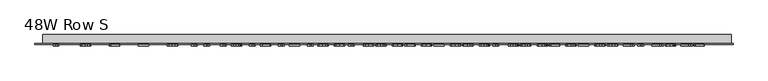
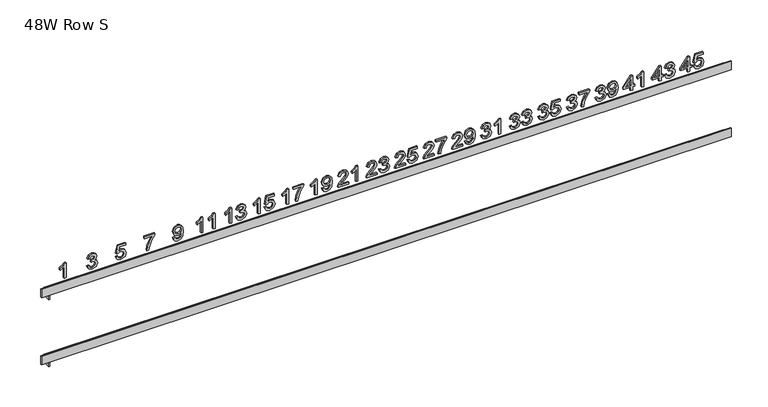
"""IFC4 building model written with IfcOpenShell, lengths in millimetres: furniture geometry, 48W Row S."""

from ifc_helpers import new_model, si_unit, frame, origin, place, context, project, spatial, polyline, outline, extrude, faceted_brep, source, transform, mapped, element, save


def furniture_48w_row_s_2dfe8abe(model_context):
    return source(origin(), model_context, "Body", "SolidModel", [
        extrude(outline(polyline([(2094.8904, 502.8912606), (2094.8904, 506.0807484), (2100.8706897, 506.0807484), (2100.8706897, 509.2702363), (2104.0601776, 509.2702363), (2104.0601776, 506.0807484), (2120.0076168, 506.0807484), (2120.0076168, 503.6886326), (2104.0601776, 491.3293671), (2100.8706897, 491.3293671), (2100.8706897, 502.8912606), (2094.8904, 502.8912606)]), holes=[polyline([(2104.0601776, 502.8912606), (2104.0601776, 495.2539323), (2113.9151967, 502.8912606), (2104.0601776, 502.8912606)])]), frame((0.0, -18.25625, 0.0), z_axis=(0.0, 1.0, 0.0), x_axis=(0.0, 0.0, 1.0)), (0.0, 0.0, 1.0), 2.38125),
        extrude(outline(polyline([(2101.6680617, 512.0610382), (2096.4571113, 514.5497108), (2094.491714, 520.1780355), (2097.550383, 526.80619), (2103.4683781, 528.8058494), (2109.3489963, 526.5850438), (2111.6352112, 521.1311442), (2109.7912885, 516.4652723), (2116.8181289, 517.8295259), (2116.8181289, 527.6097914), (2120.0076168, 527.6097914), (2120.0076168, 515.250526), (2106.8509794, 512.4597241), (2106.4522934, 515.649212), (2107.8913007, 517.4401842), (2108.4457234, 520.2403302), (2107.0565519, 524.2801405), (2103.2690351, 525.6163615), (2099.2105364, 524.1898132), (2097.6812019, 520.1904945), (2098.780703, 516.8577289), (2102.0667477, 515.250526), (2101.6680617, 512.0610382)])), frame((0.0, -18.25625, 0.0), z_axis=(0.0, 1.0, 0.0), x_axis=(0.0, 0.0, 1.0)), (0.0, 0.0, 1.0), 2.38125),
        extrude(outline(polyline([(2094.8904, 456.8537606), (2094.8904, 460.0432484), (2100.8706897, 460.0432484), (2100.8706897, 463.2327363), (2104.0601776, 463.2327363), (2104.0601776, 460.0432484), (2120.0076168, 460.0432484), (2120.0076168, 457.6511326), (2104.0601776, 445.2918671), (2100.8706897, 445.2918671), (2100.8706897, 456.8537606), (2094.8904, 456.8537606)]), holes=[polyline([(2104.0601776, 456.8537606), (2104.0601776, 449.2164323), (2113.9151967, 456.8537606), (2104.0601776, 456.8537606)])]), frame((0.0, -18.25625, 0.0), z_axis=(0.0, 1.0, 0.0), x_axis=(0.0, 0.0, 1.0)), (0.0, 0.0, 1.0), 2.38125),
        extrude(outline(polyline([(2101.6680617, 466.0235382), (2096.4913734, 468.5589318), (2094.491714, 474.1529945), (2096.8339942, 480.3263977), (2102.5401873, 482.7683494), (2106.6890132, 481.5473735), (2108.8693272, 478.0713301), (2110.981117, 480.6877069), (2113.9214261, 481.5722914), (2117.1389466, 480.6409859), (2119.5310625, 477.9498555), (2120.4063028, 474.1031587), (2118.6309043, 469.0323714), (2113.6286411, 466.4222241), (2113.2299551, 469.611712), (2116.2201, 471.1753086), (2117.2168149, 474.2152892), (2116.2294442, 477.217893), (2113.7345421, 478.3828036), (2110.9188223, 476.7756007), (2110.0404673, 472.6454631), (2106.8509794, 472.2903834), (2107.1998297, 474.5267626), (2105.894756, 478.1523132), (2102.5962525, 479.5788615), (2099.0952912, 478.1398543), (2097.6812019, 474.2651249), (2098.7090642, 470.9728508), (2102.0667477, 469.213026), (2101.6680617, 466.0235382)])), frame((0.0, -18.25625, 0.0), z_axis=(0.0, 1.0, 0.0), x_axis=(0.0, 0.0, 1.0)), (0.0, 0.0, 1.0), 2.38125),
        extrude(outline(polyline([(2094.8904, 410.8162606), (2094.8904, 414.0057484), (2100.8706897, 414.0057484), (2100.8706897, 417.1952363), (2104.0601776, 417.1952363), (2104.0601776, 414.0057484), (2120.0076168, 414.0057484), (2120.0076168, 411.6136326), (2104.0601776, 399.2543671), (2100.8706897, 399.2543671), (2100.8706897, 410.8162606), (2094.8904, 410.8162606)]), holes=[polyline([(2104.0601776, 410.8162606), (2104.0601776, 403.1789323), (2113.9151967, 410.8162606), (2104.0601776, 410.8162606)])]), frame((0.0, -18.25625, 0.0), z_axis=(0.0, 1.0, 0.0), x_axis=(0.0, 0.0, 1.0)), (0.0, 0.0, 1.0), 2.38125),
        extrude(outline(polyline([(2094.8904, 431.9466176), (2120.4063028, 431.9466176), (2120.4063028, 429.890893), (2117.0112425, 427.0533701), (2114.0273271, 422.378154), (2111.0122644, 422.378154), (2112.6225819, 425.7358375), (2114.7748633, 428.7571297), (2094.8904, 428.7571297), (2094.8904, 431.9466176)])), frame((0.0, -18.25625, 0.0), z_axis=(0.0, 1.0, 0.0), x_axis=(0.0, 0.0, 1.0)), (0.0, 0.0, 1.0), 2.38125),
        extrude(outline(polyline([(2101.6680617, 354.4129251), (2096.4913734, 356.9483187), (2094.491714, 362.5423814), (2096.8339942, 368.7157847), (2102.5401873, 371.1577363), (2106.6890132, 369.9367605), (2108.8693272, 366.4607171), (2110.981117, 369.0770938), (2113.9214261, 369.9616783), (2117.1389466, 369.0303728), (2119.5310625, 366.3392424), (2120.4063028, 362.4925457), (2118.6309043, 357.4217584), (2113.6286411, 354.8116111), (2113.2299551, 358.0010989), (2116.2201, 359.5646955), (2117.2168149, 362.6046761), (2116.2294442, 365.6072799), (2113.7345421, 366.7721905), (2110.9188223, 365.1649876), (2110.0404673, 361.0348501), (2106.8509794, 360.6797704), (2107.1998297, 362.9161495), (2105.894756, 366.5417002), (2102.5962525, 367.9682484), (2099.0952912, 366.5292412), (2097.6812019, 362.6545119), (2098.7090642, 359.3622378), (2102.0667477, 357.6024129), (2101.6680617, 354.4129251)])), frame((0.0, -18.25625, 0.0), z_axis=(0.0, 1.0, 0.0), x_axis=(0.0, 0.0, 1.0)), (0.0, 0.0, 1.0), 2.38125),
        extrude(outline(polyline([(2101.2693757, 374.3472241), (2096.2702273, 376.6334391), (2094.491714, 381.5360307), (2095.9992454, 386.4604255), (2100.3879059, 389.6281102), (2108.1342499, 390.6933494), (2115.2732208, 389.6249955), (2119.0731965, 386.4978023), (2120.4063028, 381.9534051), (2118.0702521, 376.2316383), (2111.9030783, 373.9485382), (2105.9290181, 376.1257374), (2103.6614916, 381.4550476), (2104.5896824, 384.9528942), (2106.3837693, 387.5225499), (2102.683465, 387.0615692), (2099.9113516, 386.0181333), (2098.288575, 384.2676526), (2097.6812019, 381.685538), (2098.6249663, 378.9694897), (2101.6680617, 377.536712), (2101.2693757, 374.3472241)]), holes=[polyline([(2111.977832, 387.5038615), (2108.2121183, 386.0617396), (2106.8509794, 382.3832384), (2108.2121183, 378.5521153), (2111.7473416, 377.138026), (2115.6937099, 378.6330984), (2117.2168149, 382.470451), (2115.8027256, 386.127149), (2111.977832, 387.5038615)])]), frame((0.0, -18.25625, 0.0), z_axis=(0.0, 1.0, 0.0), x_axis=(0.0, 0.0, 1.0)), (0.0, 0.0, 1.0), 2.38125),
        extrude(outline(polyline([(2101.6680617, 308.3754251), (2096.4913734, 310.9108187), (2094.491714, 316.5048814), (2096.8339942, 322.6782847), (2102.5401873, 325.1202363), (2106.6890132, 323.8992605), (2108.8693272, 320.4232171), (2110.981117, 323.0395938), (2113.9214261, 323.9241783), (2117.1389466, 322.9928728), (2119.5310625, 320.3017424), (2120.4063028, 316.4550457), (2118.6309043, 311.3842584), (2113.6286411, 308.7741111), (2113.2299551, 311.9635989), (2116.2201, 313.5271955), (2117.2168149, 316.5671761), (2116.2294442, 319.5697799), (2113.7345421, 320.7346905), (2110.9188223, 319.1274876), (2110.0404673, 314.9973501), (2106.8509794, 314.6422704), (2107.1998297, 316.8786495), (2105.894756, 320.5042002), (2102.5962525, 321.9307484), (2099.0952912, 320.4917412), (2097.6812019, 316.6170119), (2098.7090642, 313.3247378), (2102.0667477, 311.5649129), (2101.6680617, 308.3754251)])), frame((0.0, -18.25625, 0.0), z_axis=(0.0, 1.0, 0.0), x_axis=(0.0, 0.0, 1.0)), (0.0, 0.0, 1.0), 2.38125),
        extrude(outline(polyline([(2116.8181289, 327.9110382), (2116.8181289, 341.4663615), (2110.2180071, 336.6447529), (2102.0854361, 333.1655948), (2094.8904, 331.897898), (2094.8904, 335.0873858), (2101.8237984, 336.2709848), (2110.5668574, 339.9058797), (2117.4286169, 344.6558494), (2120.0076168, 344.6558494), (2120.0076168, 327.9110382), (2116.8181289, 327.9110382)])), frame((0.0, -18.25625, 0.0), z_axis=(0.0, 1.0, 0.0), x_axis=(0.0, 0.0, 1.0)), (0.0, 0.0, 1.0), 2.38125),
        extrude(outline(polyline([(2101.6680617, 262.3379251), (2096.4913734, 264.8733187), (2094.491714, 270.4673814), (2096.8339942, 276.6407847), (2102.5401873, 279.0827363), (2106.6890132, 277.8617605), (2108.8693272, 274.3857171), (2110.981117, 277.0020938), (2113.9214261, 277.8866783), (2117.1389466, 276.9553728), (2119.5310625, 274.2642424), (2120.4063028, 270.4175457), (2118.6309043, 265.3467584), (2113.6286411, 262.7366111), (2113.2299551, 265.9260989), (2116.2201, 267.4896955), (2117.2168149, 270.5296761), (2116.2294442, 273.5322799), (2113.7345421, 274.6971905), (2110.9188223, 273.0899876), (2110.0404673, 268.9598501), (2106.8509794, 268.6047704), (2107.1998297, 270.8411495), (2105.894756, 274.4667002), (2102.5962525, 275.8932484), (2099.0952912, 274.4542412), (2097.6812019, 270.5795119), (2098.7090642, 267.2872378), (2102.0667477, 265.5274129), (2101.6680617, 262.3379251)])), frame((0.0, -18.25625, 0.0), z_axis=(0.0, 1.0, 0.0), x_axis=(0.0, 0.0, 1.0)), (0.0, 0.0, 1.0), 2.38125),
        extrude(outline(polyline([(2101.6680617, 281.8735382), (2096.4571113, 284.3622108), (2094.491714, 289.9905355), (2097.550383, 296.61869), (2103.4683781, 298.6183494), (2109.3489963, 296.3975438), (2111.6352112, 290.9436442), (2109.7912885, 286.2777723), (2116.8181289, 287.6420259), (2116.8181289, 297.4222914), (2120.0076168, 297.4222914), (2120.0076168, 285.063026), (2106.8509794, 282.2722241), (2106.4522934, 285.461712), (2107.8913007, 287.2526842), (2108.4457234, 290.0528302), (2107.0565519, 294.0926405), (2103.2690351, 295.4288615), (2099.2105364, 294.0023132), (2097.6812019, 290.0029945), (2098.780703, 286.6702289), (2102.0667477, 285.063026), (2101.6680617, 281.8735382)])), frame((0.0, -18.25625, 0.0), z_axis=(0.0, 1.0, 0.0), x_axis=(0.0, 0.0, 1.0)), (0.0, 0.0, 1.0), 2.38125),
        extrude(outline(polyline([(2101.6680617, 216.3004251), (2096.4913734, 218.8358187), (2094.491714, 224.4298814), (2096.8339942, 230.6032847), (2102.5401873, 233.0452363), (2106.6890132, 231.8242605), (2108.8693272, 228.3482171), (2110.981117, 230.9645938), (2113.9214261, 231.8491783), (2117.1389466, 230.9178728), (2119.5310625, 228.2267424), (2120.4063028, 224.3800457), (2118.6309043, 219.3092584), (2113.6286411, 216.6991111), (2113.2299551, 219.8885989), (2116.2201, 221.4521955), (2117.2168149, 224.4921761), (2116.2294442, 227.4947799), (2113.7345421, 228.6596905), (2110.9188223, 227.0524876), (2110.0404673, 222.9223501), (2106.8509794, 222.5672704), (2107.1998297, 224.8036495), (2105.894756, 228.4292002), (2102.5962525, 229.8557484), (2099.0952912, 228.4167412), (2097.6812019, 224.5420119), (2098.7090642, 221.2497378), (2102.0667477, 219.4899129), (2101.6680617, 216.3004251)])), frame((0.0, -18.25625, 0.0), z_axis=(0.0, 1.0, 0.0), x_axis=(0.0, 0.0, 1.0)), (0.0, 0.0, 1.0), 2.38125),
        extrude(outline(polyline([(2101.6680617, 235.8360382), (2096.4913734, 238.3714318), (2094.491714, 243.9654945), (2096.8339942, 250.1388977), (2102.5401873, 252.5808494), (2106.6890132, 251.3598735), (2108.8693272, 247.8838301), (2110.981117, 250.5002069), (2113.9214261, 251.3847914), (2117.1389466, 250.4534859), (2119.5310625, 247.7623555), (2120.4063028, 243.9156587), (2118.6309043, 238.8448714), (2113.6286411, 236.2347241), (2113.2299551, 239.424212), (2116.2201, 240.9878086), (2117.2168149, 244.0277892), (2116.2294442, 247.030393), (2113.7345421, 248.1953036), (2110.9188223, 246.5881007), (2110.0404673, 242.4579631), (2106.8509794, 242.1028834), (2107.1998297, 244.3392626), (2105.894756, 247.9648132), (2102.5962525, 249.3913615), (2099.0952912, 247.9523543), (2097.6812019, 244.0776249), (2098.7090642, 240.7853508), (2102.0667477, 239.025526), (2101.6680617, 235.8360382)])), frame((0.0, -18.25625, 0.0), z_axis=(0.0, 1.0, 0.0), x_axis=(0.0, 0.0, 1.0)), (0.0, 0.0, 1.0), 2.38125),
        extrude(outline(polyline([(2101.6680617, 170.2629251), (2096.4913734, 172.7983187), (2094.491714, 178.3923814), (2096.8339942, 184.5657847), (2102.5401873, 187.0077363), (2106.6890132, 185.7867605), (2108.8693272, 182.3107171), (2110.981117, 184.9270938), (2113.9214261, 185.8116783), (2117.1389466, 184.8803728), (2119.5310625, 182.1892424), (2120.4063028, 178.3425457), (2118.6309043, 173.2717584), (2113.6286411, 170.6616111), (2113.2299551, 173.8510989), (2116.2201, 175.4146955), (2117.2168149, 178.4546761), (2116.2294442, 181.4572799), (2113.7345421, 182.6221905), (2110.9188223, 181.0149876), (2110.0404673, 176.8848501), (2106.8509794, 176.5297704), (2107.1998297, 178.7661495), (2105.894756, 182.3917002), (2102.5962525, 183.8182484), (2099.0952912, 182.3792412), (2097.6812019, 178.5045119), (2098.7090642, 175.2122378), (2102.0667477, 173.4524129), (2101.6680617, 170.2629251)])), frame((0.0, -18.25625, 0.0), z_axis=(0.0, 1.0, 0.0), x_axis=(0.0, 0.0, 1.0)), (0.0, 0.0, 1.0), 2.38125),
        extrude(outline(polyline([(2094.8904, 201.7591176), (2120.4063028, 201.7591176), (2120.4063028, 199.703393), (2117.0112425, 196.8658701), (2114.0273271, 192.190654), (2111.0122644, 192.190654), (2112.6225819, 195.5483375), (2114.7748633, 198.5696297), (2094.8904, 198.5696297), (2094.8904, 201.7591176)])), frame((0.0, -18.25625, 0.0), z_axis=(0.0, 1.0, 0.0), x_axis=(0.0, 0.0, 1.0)), (0.0, 0.0, 1.0), 2.38125),
        extrude(outline(polyline([(2098.0798878, 140.5715503), (2098.0798878, 128.0440893), (2099.7026644, 129.4830965), (2102.7706776, 133.1522534), (2107.1406497, 137.7215685), (2110.2678429, 139.6059827), (2113.2922498, 140.1728643), (2118.3630371, 138.0704187), (2120.4063028, 132.3611109), (2118.5686096, 126.6704915), (2113.2299551, 124.2254251), (2112.8312691, 127.4149129), (2116.0519043, 128.7573634), (2117.2168149, 132.2925867), (2116.0238717, 135.6845323), (2113.0991363, 136.9833765), (2109.4860446, 135.606664), (2104.172308, 130.0998138), (2100.4751185, 126.1067246), (2097.0894024, 124.1693599), (2094.8904, 123.8267391), (2094.8904, 140.5715503), (2098.0798878, 140.5715503)])), frame((0.0, -18.25625, 0.0), z_axis=(0.0, 1.0, 0.0), x_axis=(0.0, 0.0, 1.0)), (0.0, 0.0, 1.0), 2.38125),
        extrude(outline(polyline([(2101.2693757, 144.1597241), (2096.2702273, 146.4459391), (2094.491714, 151.3485307), (2095.9992454, 156.2729255), (2100.3879059, 159.4406102), (2108.1342499, 160.5058494), (2115.2732208, 159.4374955), (2119.0731965, 156.3103023), (2120.4063028, 151.7659051), (2118.0702521, 146.0441383), (2111.9030783, 143.7610382), (2105.9290181, 145.9382374), (2103.6614916, 151.2675476), (2104.5896824, 154.7653942), (2106.3837693, 157.3350499), (2102.683465, 156.8740692), (2099.9113516, 155.8306333), (2098.288575, 154.0801526), (2097.6812019, 151.498038), (2098.6249663, 148.7819897), (2101.6680617, 147.349212), (2101.2693757, 144.1597241)]), holes=[polyline([(2111.977832, 157.3163615), (2108.2121183, 155.8742396), (2106.8509794, 152.1957384), (2108.2121183, 148.3646153), (2111.7473416, 146.950526), (2115.6937099, 148.4455984), (2117.2168149, 152.282951), (2115.8027256, 155.939649), (2111.977832, 157.3163615)])]), frame((0.0, -18.25625, 0.0), z_axis=(0.0, 1.0, 0.0), x_axis=(0.0, 0.0, 1.0)), (0.0, 0.0, 1.0), 2.38125),
        extrude(outline(polyline([(2098.0798878, 94.5340503), (2098.0798878, 82.0065893), (2099.7026644, 83.4455965), (2102.7706776, 87.1147534), (2107.1406497, 91.6840685), (2110.2678429, 93.5684827), (2113.2922498, 94.1353643), (2118.3630371, 92.0329187), (2120.4063028, 86.3236109), (2118.5686096, 80.6329915), (2113.2299551, 78.1879251), (2112.8312691, 81.3774129), (2116.0519043, 82.7198634), (2117.2168149, 86.2550867), (2116.0238717, 89.6470323), (2113.0991363, 90.9458765), (2109.4860446, 89.569164), (2104.172308, 84.0623138), (2100.4751185, 80.0692246), (2097.0894024, 78.1318599), (2094.8904, 77.7892391), (2094.8904, 94.5340503), (2098.0798878, 94.5340503)])), frame((0.0, -18.25625, 0.0), z_axis=(0.0, 1.0, 0.0), x_axis=(0.0, 0.0, 1.0)), (0.0, 0.0, 1.0), 2.38125),
        extrude(outline(polyline([(2116.8181289, 97.7235382), (2116.8181289, 111.2788615), (2110.2180071, 106.4572529), (2102.0854361, 102.9780948), (2094.8904, 101.710398), (2094.8904, 104.8998858), (2101.8237984, 106.0834848), (2110.5668574, 109.7183797), (2117.4286169, 114.4683494), (2120.0076168, 114.4683494), (2120.0076168, 97.7235382), (2116.8181289, 97.7235382)])), frame((0.0, -18.25625, 0.0), z_axis=(0.0, 1.0, 0.0), x_axis=(0.0, 0.0, 1.0)), (0.0, 0.0, 1.0), 2.38125),
        extrude(outline(polyline([(2098.0798878, 48.4965503), (2098.0798878, 35.9690893), (2099.7026644, 37.4080965), (2102.7706776, 41.0772534), (2107.1406497, 45.6465685), (2110.2678429, 47.5309827), (2113.2922498, 48.0978643), (2118.3630371, 45.9954187), (2120.4063028, 40.2861109), (2118.5686096, 34.5954915), (2113.2299551, 32.1504251), (2112.8312691, 35.3399129), (2116.0519043, 36.6823634), (2117.2168149, 40.2175867), (2116.0238717, 43.6095323), (2113.0991363, 44.9083765), (2109.4860446, 43.531664), (2104.172308, 38.0248138), (2100.4751185, 34.0317246), (2097.0894024, 32.0943599), (2094.8904, 31.7517391), (2094.8904, 48.4965503), (2098.0798878, 48.4965503)])), frame((0.0, -18.25625, 0.0), z_axis=(0.0, 1.0, 0.0), x_axis=(0.0, 0.0, 1.0)), (0.0, 0.0, 1.0), 2.38125),
        extrude(outline(polyline([(2101.6680617, 51.6860382), (2096.4571113, 54.1747108), (2094.491714, 59.8030355), (2097.550383, 66.43119), (2103.4683781, 68.4308494), (2109.3489963, 66.2100438), (2111.6352112, 60.7561442), (2109.7912885, 56.0902723), (2116.8181289, 57.4545259), (2116.8181289, 67.2347914), (2120.0076168, 67.2347914), (2120.0076168, 54.875526), (2106.8509794, 52.0847241), (2106.4522934, 55.274212), (2107.8913007, 57.0651842), (2108.4457234, 59.8653302), (2107.0565519, 63.9051405), (2103.2690351, 65.2413615), (2099.2105364, 63.8148132), (2097.6812019, 59.8154945), (2098.780703, 56.4827289), (2102.0667477, 54.875526), (2101.6680617, 51.6860382)])), frame((0.0, -18.25625, 0.0), z_axis=(0.0, 1.0, 0.0), x_axis=(0.0, 0.0, 1.0)), (0.0, 0.0, 1.0), 2.38125),
        extrude(outline(polyline([(2098.0798878, 2.4590503), (2098.0798878, -10.0684107), (2099.7026644, -8.6294035), (2102.7706776, -4.9602466), (2107.1406497, -0.3909315), (2110.2678429, 1.4934827), (2113.2922498, 2.0603643), (2118.3630371, -0.0420813), (2120.4063028, -5.7513891), (2118.5686096, -11.4420085), (2113.2299551, -13.8870749), (2112.8312691, -10.6975871), (2116.0519043, -9.3551366), (2117.2168149, -5.8199133), (2116.0238717, -2.4279677), (2113.0991363, -1.1291235), (2109.4860446, -2.505836), (2104.172308, -8.0126862), (2100.4751185, -12.0057754), (2097.0894024, -13.9431401), (2094.8904, -14.2857609), (2094.8904, 2.4590503), (2098.0798878, 2.4590503)])), frame((0.0, -18.25625, 0.0), z_axis=(0.0, 1.0, 0.0), x_axis=(0.0, 0.0, 1.0)), (0.0, 0.0, 1.0), 2.38125),
        extrude(outline(polyline([(2101.6680617, 5.6485382), (2096.4913734, 8.1839318), (2094.491714, 13.7779945), (2096.8339942, 19.9513977), (2102.5401873, 22.3933494), (2106.6890132, 21.1723735), (2108.8693272, 17.6963301), (2110.981117, 20.3127069), (2113.9214261, 21.1972914), (2117.1389466, 20.2659859), (2119.5310625, 17.5748555), (2120.4063028, 13.7281587), (2118.6309043, 8.6573714), (2113.6286411, 6.0472241), (2113.2299551, 9.236712), (2116.2201, 10.8003086), (2117.2168149, 13.8402892), (2116.2294442, 16.842893), (2113.7345421, 18.0078036), (2110.9188223, 16.4006007), (2110.0404673, 12.2704631), (2106.8509794, 11.9153834), (2107.1998297, 14.1517626), (2105.894756, 17.7773132), (2102.5962525, 19.2038615), (2099.0952912, 17.7648543), (2097.6812019, 13.8901249), (2098.7090642, 10.5978508), (2102.0667477, 8.838026), (2101.6680617, 5.6485382)])), frame((0.0, -18.25625, 0.0), z_axis=(0.0, 1.0, 0.0), x_axis=(0.0, 0.0, 1.0)), (0.0, 0.0, 1.0), 2.38125),
        extrude(outline(polyline([(2098.0798878, -43.5784497), (2098.0798878, -56.1059107), (2099.7026644, -54.6669035), (2102.7706776, -50.9977466), (2107.1406497, -46.4284315), (2110.2678429, -44.5440173), (2113.2922498, -43.9771357), (2118.3630371, -46.0795813), (2120.4063028, -51.7888891), (2118.5686096, -57.4795085), (2113.2299551, -59.9245749), (2112.8312691, -56.7350871), (2116.0519043, -55.3926366), (2117.2168149, -51.8574133), (2116.0238717, -48.4654677), (2113.0991363, -47.1666235), (2109.4860446, -48.543336), (2104.172308, -54.0501862), (2100.4751185, -58.0432754), (2097.0894024, -59.9806401), (2094.8904, -60.3232609), (2094.8904, -43.5784497), (2098.0798878, -43.5784497)])), frame((0.0, -18.25625, 0.0), z_axis=(0.0, 1.0, 0.0), x_axis=(0.0, 0.0, 1.0)), (0.0, 0.0, 1.0), 2.38125),
        extrude(outline(polyline([(2094.8904, -28.4283824), (2120.4063028, -28.4283824), (2120.4063028, -30.484107), (2117.0112425, -33.3216299), (2114.0273271, -37.996846), (2111.0122644, -37.996846), (2112.6225819, -34.6391625), (2114.7748633, -31.6178703), (2094.8904, -31.6178703), (2094.8904, -28.4283824)])), frame((0.0, -18.25625, 0.0), z_axis=(0.0, 1.0, 0.0), x_axis=(0.0, 0.0, 1.0)), (0.0, 0.0, 1.0), 2.38125),
        extrude(outline(polyline([(2094.8904, -94.0014955), (2120.4063028, -94.0014955), (2120.4063028, -96.0572201), (2117.0112425, -98.894743), (2114.0273271, -103.569959), (2111.0122644, -103.569959), (2112.6225819, -100.2122755), (2114.7748633, -97.1909833), (2094.8904, -97.1909833), (2094.8904, -94.0014955)])), frame((0.0, -18.25625, 0.0), z_axis=(0.0, 1.0, 0.0), x_axis=(0.0, 0.0, 1.0)), (0.0, 0.0, 1.0), 2.38125),
        extrude(outline(polyline([(2101.2693757, -86.0277759), (2096.2702273, -83.7415609), (2094.491714, -78.8389693), (2095.9992454, -73.9145745), (2100.3879059, -70.7468898), (2108.1342499, -69.6816506), (2115.2732208, -70.7500045), (2119.0731965, -73.8771977), (2120.4063028, -78.4215949), (2118.0702521, -84.1433617), (2111.9030783, -86.4264618), (2105.9290181, -84.2492626), (2103.6614916, -78.9199524), (2104.5896824, -75.4221058), (2106.3837693, -72.8524501), (2102.683465, -73.3134308), (2099.9113516, -74.3568667), (2098.288575, -76.1073474), (2097.6812019, -78.689462), (2098.6249663, -81.4055103), (2101.6680617, -82.838288), (2101.2693757, -86.0277759)]), holes=[polyline([(2111.977832, -72.8711385), (2108.2121183, -74.3132604), (2106.8509794, -77.9917616), (2108.2121183, -81.8228847), (2111.7473416, -83.236974), (2115.6937099, -81.7419016), (2117.2168149, -77.904549), (2115.8027256, -74.247851), (2111.977832, -72.8711385)])]), frame((0.0, -18.25625, 0.0), z_axis=(0.0, 1.0, 0.0), x_axis=(0.0, 0.0, 1.0)), (0.0, 0.0, 1.0), 2.38125),
        extrude(outline(polyline([(2094.8904, -140.0389955), (2120.4063028, -140.0389955), (2120.4063028, -142.0947201), (2117.0112425, -144.932243), (2114.0273271, -149.607459), (2111.0122644, -149.607459), (2112.6225819, -146.2497755), (2114.7748633, -143.2284833), (2094.8904, -143.2284833), (2094.8904, -140.0389955)])), frame((0.0, -18.25625, 0.0), z_axis=(0.0, 1.0, 0.0), x_axis=(0.0, 0.0, 1.0)), (0.0, 0.0, 1.0), 2.38125),
        extrude(outline(polyline([(2116.8181289, -132.4639618), (2116.8181289, -118.9086385), (2110.2180071, -123.7302471), (2102.0854361, -127.2094052), (2094.8904, -128.477102), (2094.8904, -125.2876142), (2101.8237984, -124.1040152), (2110.5668574, -120.4691203), (2117.4286169, -115.7191506), (2120.0076168, -115.7191506), (2120.0076168, -132.4639618), (2116.8181289, -132.4639618)])), frame((0.0, -18.25625, 0.0), z_axis=(0.0, 1.0, 0.0), x_axis=(0.0, 0.0, 1.0)), (0.0, 0.0, 1.0), 2.38125),
        extrude(outline(polyline([(2094.8904, -186.0764955), (2120.4063028, -186.0764955), (2120.4063028, -188.1322201), (2117.0112425, -190.969743), (2114.0273271, -195.644959), (2111.0122644, -195.644959), (2112.6225819, -192.2872755), (2114.7748633, -189.2659833), (2094.8904, -189.2659833), (2094.8904, -186.0764955)])), frame((0.0, -18.25625, 0.0), z_axis=(0.0, 1.0, 0.0), x_axis=(0.0, 0.0, 1.0)), (0.0, 0.0, 1.0), 2.38125),
        extrude(outline(polyline([(2101.6680617, -178.5014618), (2096.4571113, -176.0127892), (2094.491714, -170.3844645), (2097.550383, -163.75631), (2103.4683781, -161.7566506), (2109.3489963, -163.9774562), (2111.6352112, -169.4313558), (2109.7912885, -174.0972277), (2116.8181289, -172.7329741), (2116.8181289, -162.9527086), (2120.0076168, -162.9527086), (2120.0076168, -175.311974), (2106.8509794, -178.1027759), (2106.4522934, -174.913288), (2107.8913007, -173.1223158), (2108.4457234, -170.3221698), (2107.0565519, -166.2823595), (2103.2690351, -164.9461385), (2099.2105364, -166.3726868), (2097.6812019, -170.3720055), (2098.780703, -173.7047711), (2102.0667477, -175.311974), (2101.6680617, -178.5014618)])), frame((0.0, -18.25625, 0.0), z_axis=(0.0, 1.0, 0.0), x_axis=(0.0, 0.0, 1.0)), (0.0, 0.0, 1.0), 2.38125),
        extrude(outline(polyline([(2094.8904, -232.1139955), (2120.4063028, -232.1139955), (2120.4063028, -234.1697201), (2117.0112425, -237.007243), (2114.0273271, -241.682459), (2111.0122644, -241.682459), (2112.6225819, -238.3247755), (2114.7748633, -235.3034833), (2094.8904, -235.3034833), (2094.8904, -232.1139955)])), frame((0.0, -18.25625, 0.0), z_axis=(0.0, 1.0, 0.0), x_axis=(0.0, 0.0, 1.0)), (0.0, 0.0, 1.0), 2.38125),
        extrude(outline(polyline([(2101.6680617, -224.5389618), (2096.4913734, -222.0035682), (2094.491714, -216.4095055), (2096.8339942, -210.2361023), (2102.5401873, -207.7941506), (2106.6890132, -209.0151265), (2108.8693272, -212.4911699), (2110.981117, -209.8747931), (2113.9214261, -208.9902086), (2117.1389466, -209.9215141), (2119.5310625, -212.6126445), (2120.4063028, -216.4593413), (2118.6309043, -221.5301286), (2113.6286411, -224.1402759), (2113.2299551, -220.950788), (2116.2201, -219.3871914), (2117.2168149, -216.3472108), (2116.2294442, -213.344607), (2113.7345421, -212.1796964), (2110.9188223, -213.7868993), (2110.0404673, -217.9170369), (2106.8509794, -218.2721166), (2107.1998297, -216.0357374), (2105.894756, -212.4101868), (2102.5962525, -210.9836385), (2099.0952912, -212.4226457), (2097.6812019, -216.2973751), (2098.7090642, -219.5896492), (2102.0667477, -221.349474), (2101.6680617, -224.5389618)])), frame((0.0, -18.25625, 0.0), z_axis=(0.0, 1.0, 0.0), x_axis=(0.0, 0.0, 1.0)), (0.0, 0.0, 1.0), 2.38125),
        extrude(outline(polyline([(2094.8904, -278.1514955), (2120.4063028, -278.1514955), (2120.4063028, -280.2072201), (2117.0112425, -283.044743), (2114.0273271, -287.719959), (2111.0122644, -287.719959), (2112.6225819, -284.3622755), (2114.7748633, -281.3409833), (2094.8904, -281.3409833), (2094.8904, -278.1514955)])), frame((0.0, -18.25625, 0.0), z_axis=(0.0, 1.0, 0.0), x_axis=(0.0, 0.0, 1.0)), (0.0, 0.0, 1.0), 2.38125),
        extrude(outline(polyline([(2094.8904, -258.6158824), (2120.4063028, -258.6158824), (2120.4063028, -260.671607), (2117.0112425, -263.5091299), (2114.0273271, -268.184346), (2111.0122644, -268.184346), (2112.6225819, -264.8266625), (2114.7748633, -261.8053703), (2094.8904, -261.8053703), (2094.8904, -258.6158824)])), frame((0.0, -18.25625, 0.0), z_axis=(0.0, 1.0, 0.0), x_axis=(0.0, 0.0, 1.0)), (0.0, 0.0, 1.0), 2.38125),
        extrude(outline(polyline([(2101.2693757, -325.9830824), (2096.2702273, -323.6968675), (2094.491714, -318.7942758), (2095.9992454, -313.869881), (2100.3879059, -310.7021963), (2108.1342499, -309.6369572), (2115.2732208, -310.705311), (2119.0731965, -313.8325042), (2120.4063028, -318.3769014), (2118.0702521, -324.0986682), (2111.9030783, -326.3817684), (2105.9290181, -324.2045692), (2103.6614916, -318.8752589), (2104.5896824, -315.3774124), (2106.3837693, -312.8077566), (2102.683465, -313.2687373), (2099.9113516, -314.3121733), (2098.288575, -316.0626539), (2097.6812019, -318.6447686), (2098.6249663, -321.3608168), (2101.6680617, -322.7935946), (2101.2693757, -325.9830824)]), holes=[polyline([(2111.977832, -312.826445), (2108.2121183, -314.268567), (2106.8509794, -317.9470681), (2108.2121183, -321.7781912), (2111.7473416, -323.1922805), (2115.6937099, -321.6972081), (2117.2168149, -317.8598555), (2115.8027256, -314.2031576), (2111.977832, -312.826445)])]), frame((0.0, -18.25625, 0.0), z_axis=(0.0, 1.0, 0.0), x_axis=(0.0, 0.0, 1.0)), (0.0, 0.0, 1.0), 2.38125),
        extrude(outline(polyline([(2116.8181289, -372.4192684), (2116.8181289, -358.863945), (2110.2180071, -363.6855536), (2102.0854361, -367.1647117), (2094.8904, -368.4324086), (2094.8904, -365.2429207), (2101.8237984, -364.0593217), (2110.5668574, -360.4244269), (2117.4286169, -355.6744572), (2120.0076168, -355.6744572), (2120.0076168, -372.4192684), (2116.8181289, -372.4192684)])), frame((0.0, -18.25625, 0.0), z_axis=(0.0, 1.0, 0.0), x_axis=(0.0, 0.0, 1.0)), (0.0, 0.0, 1.0), 2.38125),
        extrude(outline(polyline([(2101.6680617, -418.4567684), (2096.4571113, -415.9680957), (2094.491714, -410.339771), (2097.550383, -403.7116166), (2103.4683781, -401.7119572), (2109.3489963, -403.9327627), (2111.6352112, -409.3866623), (2109.7912885, -414.0525342), (2116.8181289, -412.6882806), (2116.8181289, -402.9080151), (2120.0076168, -402.9080151), (2120.0076168, -415.2672805), (2106.8509794, -418.0580824), (2106.4522934, -414.8685946), (2107.8913007, -413.0776224), (2108.4457234, -410.2774763), (2107.0565519, -406.237666), (2103.2690351, -404.901445), (2099.2105364, -406.3279933), (2097.6812019, -410.327312), (2098.780703, -413.6600777), (2102.0667477, -415.2672805), (2101.6680617, -418.4567684)])), frame((0.0, -18.25625, 0.0), z_axis=(0.0, 1.0, 0.0), x_axis=(0.0, 0.0, 1.0)), (0.0, 0.0, 1.0), 2.38125),
        extrude(outline(polyline([(2101.6680617, -464.4942684), (2096.4913734, -461.9588747), (2094.491714, -456.364812), (2096.8339942, -450.1914088), (2102.5401873, -447.7494572), (2106.6890132, -448.970433), (2108.8693272, -452.4464764), (2110.981117, -449.8300996), (2113.9214261, -448.9455151), (2117.1389466, -449.8768207), (2119.5310625, -452.567951), (2120.4063028, -456.4146478), (2118.6309043, -461.4854351), (2113.6286411, -464.0955824), (2113.2299551, -460.9060946), (2116.2201, -459.342498), (2117.2168149, -456.3025174), (2116.2294442, -453.2999136), (2113.7345421, -452.135003), (2110.9188223, -453.7422058), (2110.0404673, -457.8723434), (2106.8509794, -458.2274231), (2107.1998297, -455.9910439), (2105.894756, -452.3654933), (2102.5962525, -450.938945), (2099.0952912, -452.3779522), (2097.6812019, -456.2526816), (2098.7090642, -459.5449557), (2102.0667477, -461.3047805), (2101.6680617, -464.4942684)])), frame((0.0, -18.25625, 0.0), z_axis=(0.0, 1.0, 0.0), x_axis=(0.0, 0.0, 1.0)), (0.0, 0.0, 1.0), 2.38125),
        extrude(outline(polyline([(2094.8904, -498.6463981), (2119.8996308, -498.6463981), (2119.8996308, -500.6613019), (2116.5719865, -503.4424798), (2113.6473231, -508.0248596), (2110.6921308, -508.0248596), (2112.2704721, -504.73385), (2114.3800154, -501.7725519), (2094.8904, -501.7725519), (2094.8904, -498.6463981)])), frame((0.0, -18.25625, 0.0), z_axis=(0.0, 1.0, 0.0), x_axis=(0.0, 0.0, 1.0)), (0.0, 0.0, 1.0), 2.38125),
        faceted_brep([(-524.1873583, -13.9699322, 1948.7951562), (-522.2823681, -13.9699322, 1948.7951562), (-522.2823681, -13.9699322, 1958.0866403), (-524.1873583, -13.9699322, 1958.0866403), (-524.1873583, 0.0, 1948.7951562), (-524.1873583, 0.0, 1961.4957194), (571.1822789, 0.0, 1961.4957194), (571.1822789, 0.0, 1958.0866403), (-522.2823681, 0.0, 1958.0866403), (-522.2823681, 0.0, 1948.7951562), (571.1822789, -13.9699322, 1958.0866403), (574.3627049, -13.9699322, 1958.0866403), (574.3627049, -15.875, 1958.0866403), (-536.8872951, -15.875, 1958.0866403), (-536.8872951, -13.9699322, 1958.0866403), (571.1822789, -13.9699322, 1961.4957194), (-524.1873583, -13.9699322, 1961.4957194), (-536.8872951, -15.875, 1972.3105632), (-536.8872951, -13.9699322, 1972.3105632), (574.3627049, -15.875, 1972.3105632), (574.3627049, -13.9699322, 1972.3105632)], [[[0, 1, 2, 3]], [[4, 5, 6, 7, 8, 9]], [[1, 0, 4, 9]], [[2, 1, 9, 8]], [[8, 7, 10, 11, 12, 13, 14, 3, 2]], [[7, 6, 15, 10]], [[6, 5, 16, 15]], [[5, 4, 0, 3, 16]], [[17, 18, 14, 13]], [[19, 12, 11, 20]], [[18, 17, 19, 20]], [[14, 18, 20, 11, 10, 15, 16, 3]], [[17, 13, 12, 19]]]),
        faceted_brep([(-524.1873583, -13.9699322, 2063.1151167), (-522.2823681, -13.9699322, 2063.1151167), (-522.2823681, -13.9699322, 2072.3860703), (-524.1873583, -13.9699322, 2072.3860703), (-524.1873583, 0.0, 2063.1151167), (-524.1873583, 0.0, 2075.8150534), (571.1822789, 0.0, 2075.8150534), (571.1822789, 0.0, 2072.3860703), (-522.2823681, 0.0, 2072.3860703), (-522.2823681, 0.0, 2063.1151167), (571.1822789, -13.9699322, 2072.3860703), (574.3627049, -13.9699322, 2072.3860703), (574.3627049, -15.875, 2072.3860703), (-536.8872951, -15.875, 2072.3860703), (-536.8872951, -13.9699322, 2072.3860703), (571.1822789, -13.9699322, 2075.8150534), (-524.1873583, -13.9699322, 2075.8150534), (-536.8872951, -15.875, 2086.61), (-536.8872951, -13.9699322, 2086.61), (574.3627049, -13.9699322, 2086.61), (574.3627049, -15.875, 2086.61)], [[[0, 1, 2, 3]], [[4, 5, 6, 7, 8, 9]], [[1, 0, 4, 9]], [[2, 1, 9, 8]], [[8, 7, 10, 11, 12, 13, 14, 3, 2]], [[7, 6, 15, 10]], [[6, 5, 16, 15]], [[5, 4, 0, 3, 16]], [[14, 13, 17, 18]], [[11, 19, 20, 12]], [[17, 13, 12, 20]], [[18, 17, 20, 19]], [[14, 18, 19, 11, 10, 15, 16, 3]]]),
    ])


if __name__ == "__main__":
    model = new_model("IFC4")
    model_context = context("Model", 3, world=origin())
    ifc_project = project(units=[si_unit("LENGTHUNIT", "METRE", prefix="MILLI")], contexts=[model_context])
    site = spatial("IfcSite", under=ifc_project)
    building = spatial("IfcBuilding", under=site)
    placement = place(None, origin())
    furniture_48w_row_s_shape = furniture_48w_row_s_2dfe8abe(model_context)
    element("IfcFurniture", 1, ObjectType="48W Row S", at=placement, inside=building, context=model_context, shape_type="MappedRepresentation", body=[
        mapped(furniture_48w_row_s_shape, transform((0.0, 0.0, 0.0), x_axis=(1.0, 0.0, 0.0), y_axis=(0.0, 1.0, 0.0), z_axis=(0.0, 0.0, 1.0))),
    ])
    save(model, "model.ifc")
